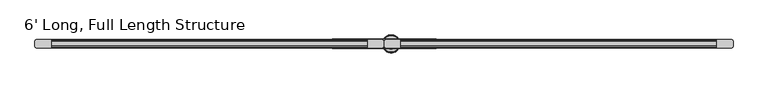
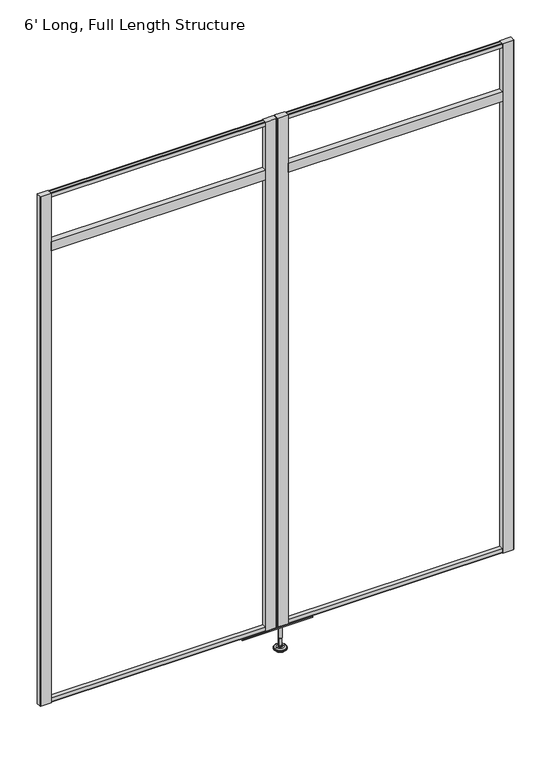
"""IFC4 building model written with IfcOpenShell, lengths in millimetres: furniture geometry, 6' Long, Full Length Structure."""

from ifc_helpers import new_model, si_unit, frame, origin, place, context, project, spatial, polyline, circle_curve, outline, extrude, source, transform, mapped, element, save
from ifc_brep_helpers import plane_surface, cylinder_surface, revolved_surface, advanced_brep


def furniture_6_long_full_length_structure_0488ccc7(model_context):
    return source(origin(), model_context, "Body", "SolidModel", [
        advanced_brep(
        [(935.1986665, 0.0, 101.6), (944.1765879, 0.0, 101.6), (926.2207451, 0.0, 101.6), (921.0944265, 0.0, 0.0206943), (949.3029064, 0.0, 0.0206943), (935.1986665, 0.0, 0.0206943), (916.2163948, 0.0, 1.4194474), (954.1809381, 0.0, 1.4194474), (912.4544798, 0.0, 4.7394056), (957.9428532, 0.0, 4.7394056), (911.3370301, 0.0, 7.5051905), (959.0603028, 0.0, 7.5051905), (911.3370301, 0.0, 8.3065967), (959.0603028, 0.0, 8.3065967), (912.1794333, 0.0, 9.8469348), (958.2178996, 0.0, 9.8469348), (913.279576, 0.0, 10.8375077), (957.117757, 0.0, 10.8375077), (920.5832712, 0.0, 12.7338946), (949.8140617, 0.0, 12.7338946), (928.0014226, 0.0, 13.3828987), (942.3959104, 0.0, 13.3828987), (928.0014226, 0.0, 14.1772758), (942.3959104, 0.0, 14.1772758), (930.3982154, 0.0, 14.1772758), (939.9991175, 0.0, 14.1772758), (930.3982154, 0.0, 18.8098403), (939.9991175, 0.0, 18.8098403), (929.3823627, 0.0, 19.8256929), (941.0149702, 0.0, 19.8256929), (929.3823627, 0.0, 48.3056352), (941.0149702, 0.0, 48.3056352), (928.1588349, 0.0, 49.9293116), (942.2384981, 0.0, 49.9293116), (928.1588349, 0.0, 97.327223), (942.2384981, 0.0, 97.327223), (927.2777305, 0.0, 97.6479188), (943.1196025, 0.0, 97.6479188), (926.2287415, 0.0, 97.6479188), (944.1685914, 0.0, 97.6479188), (924.5637116, 0.0, 98.6092242), (945.8336213, 0.0, 98.6092242), (924.5637116, 0.0, 100.6043539), (945.8336213, 0.0, 100.6043539)],
        [
            (0, 1),
            (1, 2, circle_curve(frame((935.1986665, 0.0, 101.6), z_axis=(0.0, 0.0, 1.0), x_axis=(1.0, 0.0, 0.0)), 8.9779214)),
            (2, 0),
            (2, 1, circle_curve(frame((935.1986665, 0.0, 101.6), z_axis=(0.0, 0.0, 1.0), x_axis=(1.0, 0.0, 0.0)), 8.9779214)),
            (3, 4, circle_curve(frame((935.1986665, 0.0, 0.0206943), z_axis=(0.0, 0.0, -1.0), x_axis=(1.0, 0.0, 0.0)), 14.1042399)),
            (4, 5),
            (5, 3),
            (4, 3, circle_curve(frame((935.1986665, 0.0, 0.0206943), z_axis=(0.0, 0.0, -1.0), x_axis=(1.0, 0.0, 0.0)), 14.1042399)),
            (6, 7, circle_curve(frame((935.1986665, 0.0, 1.4194474), z_axis=(0.0, 0.0, -1.0), x_axis=(1.0, 0.0, 0.0)), 18.9822717)),
            (7, 4),
            (3, 6),
            (7, 6, circle_curve(frame((935.1986665, 0.0, 1.4194474), z_axis=(0.0, 0.0, -1.0), x_axis=(1.0, 0.0, 0.0)), 18.9822717)),
            (8, 9, circle_curve(frame((935.1986665, 0.0, 4.7394056), z_axis=(0.0, 0.0, -1.0), x_axis=(1.0, 0.0, 0.0)), 22.7441867)),
            (9, 7),
            (6, 8),
            (9, 8, circle_curve(frame((935.1986665, 0.0, 4.7394056), z_axis=(0.0, 0.0, -1.0), x_axis=(1.0, 0.0, 0.0)), 22.7441867)),
            (10, 11, circle_curve(frame((935.1986665, 0.0, 7.5051905), z_axis=(0.0, 0.0, -1.0), x_axis=(1.0, 0.0, 0.0)), 23.8616363)),
            (11, 9),
            (8, 10),
            (11, 10, circle_curve(frame((935.1986665, 0.0, 7.5051905), z_axis=(0.0, 0.0, -1.0), x_axis=(1.0, 0.0, 0.0)), 23.8616363)),
            (12, 13, circle_curve(frame((935.1986665, 0.0, 8.3065967), z_axis=(0.0, 0.0, -1.0), x_axis=(1.0, 0.0, 0.0)), 23.8616363)),
            (13, 11),
            (10, 12),
            (13, 12, circle_curve(frame((935.1986665, 0.0, 8.3065967), z_axis=(0.0, 0.0, -1.0), x_axis=(1.0, 0.0, 0.0)), 23.8616363)),
            (14, 15, circle_curve(frame((935.1986665, 0.0, 9.8469348), z_axis=(0.0, 0.0, -1.0), x_axis=(1.0, 0.0, 0.0)), 23.0192331)),
            (15, 13),
            (12, 14),
            (15, 14, circle_curve(frame((935.1986665, 0.0, 9.8469348), z_axis=(0.0, 0.0, -1.0), x_axis=(1.0, 0.0, 0.0)), 23.0192331)),
            (16, 17, circle_curve(frame((935.1986665, 0.0, 10.8375077), z_axis=(0.0, 0.0, -1.0), x_axis=(1.0, 0.0, 0.0)), 21.9190905)),
            (17, 15),
            (14, 16),
            (17, 16, circle_curve(frame((935.1986665, 0.0, 10.8375077), z_axis=(0.0, 0.0, -1.0), x_axis=(1.0, 0.0, 0.0)), 21.9190905)),
            (18, 19, circle_curve(frame((935.1986665, 0.0, 12.7338946), z_axis=(0.0, 0.0, -1.0), x_axis=(1.0, 0.0, 0.0)), 14.6153953)),
            (19, 17),
            (16, 18),
            (19, 18, circle_curve(frame((935.1986665, 0.0, 12.7338946), z_axis=(0.0, 0.0, -1.0), x_axis=(1.0, 0.0, 0.0)), 14.6153953)),
            (20, 21, circle_curve(frame((935.1986665, 0.0, 13.3828987), z_axis=(0.0, 0.0, -1.0), x_axis=(1.0, 0.0, 0.0)), 7.1972439)),
            (21, 19),
            (18, 20),
            (21, 20, circle_curve(frame((935.1986665, 0.0, 13.3828987), z_axis=(0.0, 0.0, -1.0), x_axis=(1.0, 0.0, 0.0)), 7.1972439)),
            (22, 23, circle_curve(frame((935.1986665, 0.0, 14.1772758), z_axis=(0.0, 0.0, -1.0), x_axis=(1.0, 0.0, 0.0)), 7.1972439)),
            (23, 21),
            (20, 22),
            (23, 22, circle_curve(frame((935.1986665, 0.0, 14.1772758), z_axis=(0.0, 0.0, -1.0), x_axis=(1.0, 0.0, 0.0)), 7.1972439)),
            (24, 25, circle_curve(frame((935.1986665, 0.0, 14.1772758), z_axis=(0.0, 0.0, -1.0), x_axis=(1.0, 0.0, 0.0)), 4.8004511)),
            (25, 23),
            (22, 24),
            (25, 24, circle_curve(frame((935.1986665, 0.0, 14.1772758), z_axis=(0.0, 0.0, -1.0), x_axis=(1.0, 0.0, 0.0)), 4.8004511)),
            (26, 27, circle_curve(frame((935.1986665, 0.0, 18.8098403), z_axis=(0.0, 0.0, -1.0), x_axis=(1.0, 0.0, 0.0)), 4.8004511)),
            (27, 25),
            (24, 26),
            (27, 26, circle_curve(frame((935.1986665, 0.0, 18.8098403), z_axis=(0.0, 0.0, -1.0), x_axis=(1.0, 0.0, 0.0)), 4.8004511)),
            (28, 29, circle_curve(frame((935.1986665, 0.0, 19.8256929), z_axis=(0.0, 0.0, -1.0), x_axis=(1.0, 0.0, 0.0)), 5.8163037)),
            (29, 27),
            (26, 28),
            (29, 28, circle_curve(frame((935.1986665, 0.0, 19.8256929), z_axis=(0.0, 0.0, -1.0), x_axis=(1.0, 0.0, 0.0)), 5.8163037)),
            (30, 31, circle_curve(frame((935.1986665, 0.0, 48.3056352), z_axis=(0.0, 0.0, -1.0), x_axis=(1.0, 0.0, 0.0)), 5.8163037)),
            (31, 29),
            (28, 30),
            (31, 30, circle_curve(frame((935.1986665, 0.0, 48.3056352), z_axis=(0.0, 0.0, -1.0), x_axis=(1.0, 0.0, 0.0)), 5.8163037)),
            (32, 33, circle_curve(frame((935.1986665, 0.0, 49.9293116), z_axis=(0.0, 0.0, -1.0), x_axis=(1.0, 0.0, 0.0)), 7.0398316)),
            (33, 31),
            (30, 32),
            (33, 32, circle_curve(frame((935.1986665, 0.0, 49.9293116), z_axis=(0.0, 0.0, -1.0), x_axis=(1.0, 0.0, 0.0)), 7.0398316)),
            (34, 35, circle_curve(frame((935.1986665, 0.0, 97.327223), z_axis=(0.0, 0.0, -1.0), x_axis=(1.0, 0.0, 0.0)), 7.0398316)),
            (35, 33),
            (32, 34),
            (35, 34, circle_curve(frame((935.1986665, 0.0, 97.327223), z_axis=(0.0, 0.0, -1.0), x_axis=(1.0, 0.0, 0.0)), 7.0398316)),
            (36, 37, circle_curve(frame((935.1986665, 0.0, 97.6479188), z_axis=(0.0, 0.0, -1.0), x_axis=(1.0, 0.0, 0.0)), 7.920936)),
            (37, 35),
            (34, 36),
            (37, 36, circle_curve(frame((935.1986665, 0.0, 97.6479188), z_axis=(0.0, 0.0, -1.0), x_axis=(1.0, 0.0, 0.0)), 7.920936)),
            (38, 39, circle_curve(frame((935.1986665, 0.0, 97.6479188), z_axis=(0.0, 0.0, -1.0), x_axis=(1.0, 0.0, 0.0)), 8.9699249)),
            (39, 37),
            (36, 38),
            (39, 38, circle_curve(frame((935.1986665, 0.0, 97.6479188), z_axis=(0.0, 0.0, -1.0), x_axis=(1.0, 0.0, 0.0)), 8.9699249)),
            (40, 41, circle_curve(frame((935.1986665, 0.0, 98.6092242), z_axis=(0.0, 0.0, -1.0), x_axis=(1.0, 0.0, 0.0)), 10.6349548)),
            (41, 39),
            (38, 40),
            (41, 40, circle_curve(frame((935.1986665, 0.0, 98.6092242), z_axis=(0.0, 0.0, -1.0), x_axis=(1.0, 0.0, 0.0)), 10.6349548)),
            (42, 43, circle_curve(frame((935.1986665, 0.0, 100.6043539), z_axis=(0.0, 0.0, -1.0), x_axis=(1.0, 0.0, 0.0)), 10.6349548)),
            (43, 41),
            (40, 42),
            (43, 42, circle_curve(frame((935.1986665, 0.0, 100.6043539), z_axis=(0.0, 0.0, -1.0), x_axis=(1.0, 0.0, 0.0)), 10.6349548)),
            (1, 43),
            (42, 2),
        ],
        [
            plane_surface(frame((935.1986665, 0.0, 101.6), z_axis=(0.0, 0.0, 1.0), x_axis=(1.0, 0.0, 0.0))),
            plane_surface(frame((935.1986665, 0.0, 0.0206943), z_axis=(0.0, 0.0, -1.0), x_axis=(1.0, 0.0, 0.0))),
            revolved_surface(polyline([(949.3029064, 0.0, 0.0206943), (954.1809381, 0.0, 1.4194474)]), (935.1986665, 0.0, 101.6), (0.0, 0.0, 1.0)),
            revolved_surface(polyline([(954.1809381, 0.0, 1.4194474), (957.9428532, 0.0, 4.7394056)]), (935.1986665, 0.0, 101.6), (0.0, 0.0, 1.0)),
            revolved_surface(polyline([(957.9428532, 0.0, 4.7394056), (959.0603028, 0.0, 7.5051905)]), (935.1986665, 0.0, 101.6), (0.0, 0.0, 1.0)),
            cylinder_surface(frame((935.1986665, 0.0, 101.6), z_axis=(0.0, 0.0, 1.0), x_axis=(1.0, 0.0, 0.0)), 23.8616363),
            revolved_surface(polyline([(959.0603028, 0.0, 8.3065967), (958.2178996, 0.0, 9.8469348)]), (935.1986665, 0.0, 101.6), (0.0, 0.0, 1.0)),
            revolved_surface(polyline([(958.2178996, 0.0, 9.8469348), (957.117757, 0.0, 10.8375077)]), (935.1986665, 0.0, 101.6), (0.0, 0.0, 1.0)),
            revolved_surface(polyline([(957.117757, 0.0, 10.8375077), (949.8140617, 0.0, 12.7338946)]), (935.1986665, 0.0, 101.6), (0.0, 0.0, 1.0)),
            revolved_surface(polyline([(949.8140617, 0.0, 12.7338946), (942.3959104, 0.0, 13.3828987)]), (935.1986665, 0.0, 101.6), (0.0, 0.0, 1.0)),
            cylinder_surface(frame((935.1986665, 0.0, 101.6), z_axis=(0.0, 0.0, 1.0), x_axis=(1.0, 0.0, 0.0)), 7.1972439),
            plane_surface(frame((935.1986665, 0.0, 14.1772758), z_axis=(0.0, 0.0, 1.0), x_axis=(1.0, 0.0, 0.0))),
            cylinder_surface(frame((935.1986665, 0.0, 101.6), z_axis=(0.0, 0.0, 1.0), x_axis=(1.0, 0.0, 0.0)), 4.8004511),
            revolved_surface(polyline([(939.9991175, 0.0, 18.8098403), (941.0149702, 0.0, 19.8256929)]), (935.1986665, 0.0, 101.6), (0.0, 0.0, 1.0)),
            cylinder_surface(frame((935.1986665, 0.0, 101.6), z_axis=(0.0, 0.0, 1.0), x_axis=(1.0, 0.0, 0.0)), 5.8163037),
            revolved_surface(polyline([(941.0149702, 0.0, 48.3056352), (942.2384981, 0.0, 49.9293116)]), (935.1986665, 0.0, 101.6), (0.0, 0.0, 1.0)),
            cylinder_surface(frame((935.1986665, 0.0, 101.6), z_axis=(0.0, 0.0, 1.0), x_axis=(1.0, 0.0, 0.0)), 7.0398316),
            revolved_surface(polyline([(942.2384981, 0.0, 97.327223), (943.1196025, 0.0, 97.6479188)]), (935.1986665, 0.0, 101.6), (0.0, 0.0, 1.0)),
            plane_surface(frame((935.1986665, 0.0, 97.6479188), z_axis=(0.0, 0.0, -1.0), x_axis=(1.0, 0.0, 0.0))),
            revolved_surface(polyline([(944.1685914, 0.0, 97.6479188), (945.8336213, 0.0, 98.6092242)]), (935.1986665, 0.0, 101.6), (0.0, 0.0, 1.0)),
            cylinder_surface(frame((935.1986665, 0.0, 101.6), z_axis=(0.0, 0.0, 1.0), x_axis=(1.0, 0.0, 0.0)), 10.6349548),
            revolved_surface(polyline([(945.8336213, 0.0, 100.6043539), (944.1765879, 0.0, 101.6)]), (935.1986665, 0.0, 101.6), (0.0, 0.0, 1.0)),
        ],
        [
            (0, [[1, 2, 3]]),
            (0, [[-3, 4, -1]]),
            (1, [[5, 6, 7]]),
            (1, [[8, -7, -6]]),
            (2, [[9, 10, -5, 11]]),
            (2, [[12, -11, -8, -10]]),
            (3, [[13, 14, -9, 15]]),
            (3, [[16, -15, -12, -14]]),
            (4, [[17, 18, -13, 19]]),
            (4, [[20, -19, -16, -18]]),
            (5, [[21, 22, -17, 23]]),
            (5, [[24, -23, -20, -22]]),
            (6, [[25, 26, -21, 27]]),
            (6, [[28, -27, -24, -26]]),
            (7, [[29, 30, -25, 31]]),
            (7, [[32, -31, -28, -30]]),
            (8, [[33, 34, -29, 35]]),
            (8, [[36, -35, -32, -34]]),
            (9, [[37, 38, -33, 39]]),
            (9, [[40, -39, -36, -38]]),
            (10, [[41, 42, -37, 43]]),
            (10, [[44, -43, -40, -42]]),
            (11, [[45, 46, -41, 47]]),
            (11, [[48, -47, -44, -46]]),
            (12, [[49, 50, -45, 51]]),
            (12, [[52, -51, -48, -50]]),
            (13, [[53, 54, -49, 55]]),
            (13, [[56, -55, -52, -54]]),
            (14, [[57, 58, -53, 59]]),
            (14, [[60, -59, -56, -58]]),
            (15, [[61, 62, -57, 63]]),
            (15, [[64, -63, -60, -62]]),
            (16, [[65, 66, -61, 67]]),
            (16, [[68, -67, -64, -66]]),
            (17, [[69, 70, -65, 71]]),
            (17, [[72, -71, -68, -70]]),
            (18, [[73, 74, -69, 75]]),
            (18, [[76, -75, -72, -74]]),
            (19, [[77, 78, -73, 79]]),
            (19, [[80, -79, -76, -78]]),
            (20, [[81, 82, -77, 83]]),
            (20, [[84, -83, -80, -82]]),
            (21, [[-2, 85, -81, 86]]),
            (21, [[-4, -86, -84, -85]]),
        ],
    ),
        extrude(outline(polyline([(959.739, 10.5559997), (959.739, -10.5559997), (920.9640049, -10.5559997), (918.6840932, -9.6109027), (917.7389837, -7.3310001), (917.7389837, 7.3310001), (918.6840932, 9.6109027), (920.9640049, 10.5559997), (959.739, 10.5559997)])), frame((0.0, 0.0, 103.4818084), z_axis=(0.0, 0.0, 1.0), x_axis=(1.0, 0.0, 0.0)), (0.0, 0.0, 1.0), 2081.3499916),
        extrude(outline(polyline([(873.379, 10.5559997), (912.1539951, 10.5559997), (914.4339068, 9.6109027), (915.3790163, 7.3310001), (915.3790163, -7.3310001), (914.4339068, -9.6109027), (912.1539951, -10.5559997), (873.379, -10.5559997), (873.379, 10.5559997)])), frame((0.0, 0.0, 103.4818084), z_axis=(0.0, 0.0, 1.0), x_axis=(1.0, 0.0, 0.0)), (0.0, 0.0, 1.0), 2081.3499916),
        extrude(outline(polyline([(1054.1880218, 12.2069997), (1054.1880218, -12.2069997), (780.5555782, -12.2069997), (780.5555782, 12.2069997), (1054.1880218, 12.2069997)])), frame((0.0, 0.0, 97.327223), z_axis=(0.0, 0.0, 1.0), x_axis=(1.0, 0.0, 0.0)), (0.0, 0.0, 1.0), 3.8128244),
        extrude(outline(polyline([(1789.811, 10.5559997), (1789.811, -10.5559997), (959.739, -10.5559997), (959.739, 10.5559997), (1789.811, 10.5559997)])), frame((0.0, 0.0, 1949.2990402), z_axis=(0.0, 0.0, 1.0), x_axis=(1.0, 0.0, 0.0)), (0.0, 0.0, 1.0), 38.1),
        extrude(outline(polyline([(43.1799273, -10.5559997), (43.1799273, 10.5559997), (873.379, 10.5559997), (873.379, -10.5559997), (43.1799273, -10.5559997)])), frame((0.0, 0.0, 1949.2990402), z_axis=(0.0, 0.0, 1.0), x_axis=(1.0, 0.0, 0.0)), (0.0, 0.0, 1.0), 38.1),
        extrude(outline(polyline([(-8.9429997, 2166.849753), (-8.9429997, 2180.8497706), (-8.0643203, 2182.9710074), (-5.943, 2183.8497328), (5.943, 2183.8497328), (8.0643203, 2182.9710074), (8.9429997, 2180.8497706), (8.9429997, 2166.849753), (-8.9429997, 2166.849753)])), frame((43.1799273, 0.0, 0.0), z_axis=(1.0, 0.0, 0.0), x_axis=(0.0, 1.0, 0.0)), (0.0, 0.0, 1.0), 1746.6310727),
        extrude(outline(polyline([(43.1799273, 10.5559997), (43.1799273, -10.5559997), (3.2032054, -10.5559997), (0.9232937, -9.6109027), (-0.0218157, -7.3310001), (-0.0218157, 7.3310001), (0.9232937, 9.6109027), (3.2032054, 10.5559997), (43.1799273, 10.5559997)])), frame((0.0, 0.0, 101.6), z_axis=(0.0, 0.0, 1.0), x_axis=(1.0, 0.0, 0.0)), (0.0, 0.0, 1.0), 2083.2318),
        extrude(outline(polyline([(1789.811, 10.5559997), (1830.0084304, 10.5559997), (1832.2883784, 9.6109027), (1833.118, 7.6093626), (1833.118, -7.6093626), (1832.2883784, -9.6109027), (1830.0084304, -10.5559997), (1789.811, -10.5559997), (1789.811, 10.5559997)])), frame((0.0, 0.0, 101.6), z_axis=(0.0, 0.0, 1.0), x_axis=(1.0, 0.0, 0.0)), (0.0, 0.0, 1.0), 2083.2318),
        extrude(outline(polyline([(-8.9429997, 118.1400272), (8.9429997, 118.1400272), (8.9429997, 104.1400097), (8.0643203, 102.0187729), (5.943, 101.1400475), (-5.943, 101.1400475), (-8.0643203, 102.0187729), (-8.9429997, 104.1400097), (-8.9429997, 118.1400272)])), frame((43.1799273, 0.0, 0.0), z_axis=(1.0, 0.0, 0.0), x_axis=(0.0, 1.0, 0.0)), (0.0, 0.0, 1.0), 1746.6310727),
    ])


if __name__ == "__main__":
    model = new_model("IFC4")
    model_context = context("Model", 3, world=origin())
    ifc_project = project(units=[si_unit("LENGTHUNIT", "METRE", prefix="MILLI")], contexts=[model_context])
    site = spatial("IfcSite", under=ifc_project)
    building = spatial("IfcBuilding", under=site)
    placement = place(None, origin())
    furniture_6_long_full_length_structure_shape = furniture_6_long_full_length_structure_0488ccc7(model_context)
    element("IfcFurniture", 1, ObjectType="6' Long, Full Length Structure", at=placement, inside=building, context=model_context, shape_type="MappedRepresentation", body=[
        mapped(furniture_6_long_full_length_structure_shape, transform((0.0, 0.0, 0.0), x_axis=(1.0, 0.0, 0.0), y_axis=(0.0, 1.0, 0.0), z_axis=(0.0, 0.0, 1.0))),
    ])
    save(model, "model.ifc")
